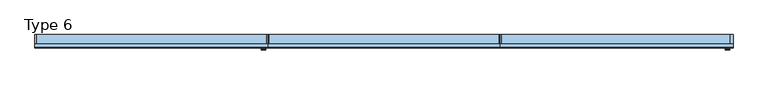
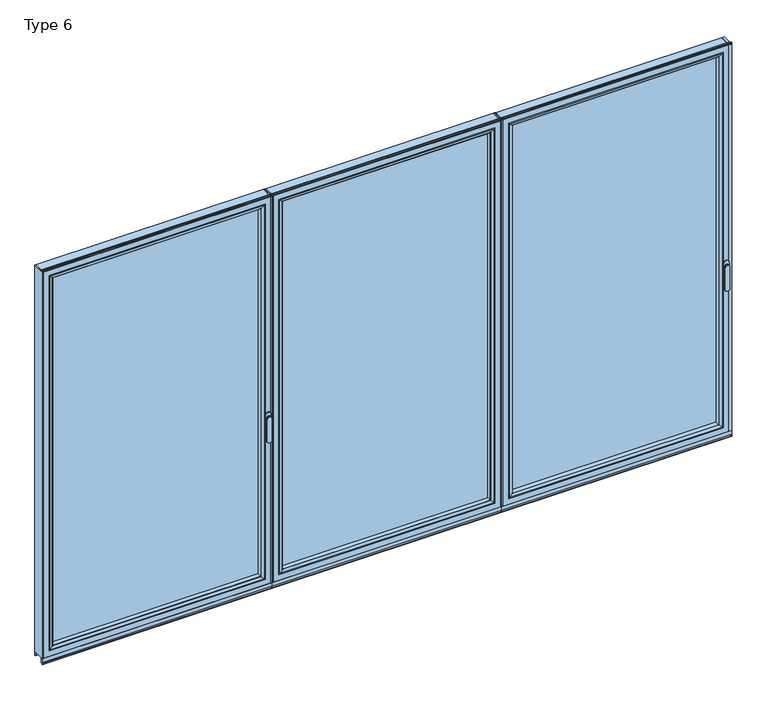
"""IFC4 building model written with IfcOpenShell, lengths in millimetres: window geometry, Type 6."""

from ifc_helpers import new_model, si_unit, point, frame, frame_2d, origin, place, context, project, spatial, polyline, circle_curve, ellipse_curve, trimmed, segment, composite_curve, outline, extrude, source, transform, mapped, element, save
from ifc_brep_helpers import plane_surface, cylinder_surface, extruded_surface, advanced_brep


def type_6_3e30fefc(model_context):
    return source(origin(), model_context, "Body", "SolidModel", [
        advanced_brep(
        [(-2579.8552975, -73.5, 1050.0), (-2555.8780359, -73.5, 1050.0), (-2555.8780359, -76.8965533, 1050.0), (-2579.8552975, -76.8965533, 1050.0), (-2579.8552975, -84.5, 1050.0), (-2579.8552975, -84.5, 918.6867153), (-2555.8780359, -84.5, 918.6867153), (-2555.8780359, -84.5, 1050.0), (-2555.8780359, -76.8965533, 918.6867153), (-2579.8552975, -76.8965533, 918.6867153)],
        [
            (0, 1, circle_curve(frame((-2567.8666667, -73.5, 1050.0), z_axis=(0.0, 1.0, 0.0), x_axis=(1.0, 0.0, 0.0)), 11.9886308)),
            (1, 0, circle_curve(frame((-2567.8666667, -73.5, 1050.0), z_axis=(0.0, 1.0, 0.0), x_axis=(1.0, 0.0, 0.0)), 11.9886308)),
            (1, 2),
            (2, 3, circle_curve(frame((-2567.8666667, -76.8965533, 1050.0), z_axis=(0.0, 1.0, 0.0), x_axis=(1.0, 0.0, 0.0)), 11.9886308)),
            (3, 0),
            (3, 2, circle_curve(frame((-2567.8666667, -76.8965533, 1050.0), z_axis=(0.0, 1.0, 0.0), x_axis=(1.0, 0.0, 0.0)), 11.9886308)),
            (4, 5),
            (5, 6, ellipse_curve(frame((-2567.8666667, -84.5, 918.6867153), z_axis=(0.0, -1.0, 0.0), x_axis=(-1.0, 0.0, 0.0)), 11.9886308, 7.9050795)),
            (6, 7),
            (7, 4, circle_curve(frame((-2567.8666667, -84.5, 1050.0), z_axis=(0.0, -1.0, 0.0), x_axis=(1.0, 0.0, 0.0)), 11.9886308)),
            (2, 8),
            (8, 9, ellipse_curve(frame((-2567.8666667, -76.8965533, 918.6867153), z_axis=(0.0, 1.0, 0.0), x_axis=(-1.0, 0.0, 0.0)), 11.9886308, 7.9050795)),
            (9, 3),
            (4, 3),
            (9, 5),
            (8, 6),
            (2, 7),
        ],
        [
            plane_surface(frame((-2555.8780359, -73.5, 1050.0), z_axis=(0.0, 1.0, 0.0), x_axis=(0.0, 0.0, -1.0))),
            cylinder_surface(frame((-2567.8666667, -73.5, 1050.0), z_axis=(0.0, -1.0, 0.0), x_axis=(1.0, 0.0, 0.0)), 11.9886308),
            plane_surface(frame((-2579.8552975, -84.5, 928.3382074), z_axis=(0.0, -1.0, 0.0), x_axis=(0.0, 0.0, -1.0))),
            plane_surface(frame((-2579.8552975, -76.8965533, 928.3382074), z_axis=(0.0, 1.0, 0.0), x_axis=(0.0, 0.0, 1.0))),
            plane_surface(frame((-2579.8552975, -84.5, 1050.0), z_axis=(-1.0, 0.0, 0.0), x_axis=(0.0, 1.0, 0.0))),
            extruded_surface(trimmed(ellipse_curve(frame((-2567.8666667, -69.2931066, 918.6867153), z_axis=(0.0, -1.0, 0.0), x_axis=(-1.0, 0.0, 0.0)), 11.9886308, 7.9050795), [point((-2579.8552975, -69.2931066, 918.6867153))], [point((-2555.8780359, -69.2931066, 918.6867153))], True, "CARTESIAN"), (0.0, -7.603446699999992, 0.0), 7.603446699999992),
            plane_surface(frame((-2555.8780359, -84.5, 918.6867153), z_axis=(1.0, 0.0, 0.0), x_axis=(0.0, 1.0, 0.0))),
            cylinder_surface(frame((-2567.8666667, -76.8965533, 1050.0), z_axis=(0.0, -1.0, 0.0), x_axis=(1.0, 0.0, 0.0)), 11.9886308),
        ],
        [
            (0, [[1, 2]]),
            (1, [[-2, 3, 4, 5]]),
            (1, [[-1, -5, 6, -3]]),
            (2, [[7, 8, 9, 10]]),
            (3, [[11, 12, 13, -4]]),
            (4, [[-7, 14, -13, 15]]),
            (5, [[-8, -15, -12, 16]]),
            (6, [[-9, -16, -11, 17]]),
            (7, [[-10, -17, -6, -14]]),
        ],
    ),
        extrude(outline(composite_curve([segment(polyline([(1068.75, -2581.8666667), (1031.25, -2581.8666667)]), True, "CONTINUOUS"), segment(trimmed(circle_curve(frame_2d((1031.25, -2567.8666667)), 14.0), [point((1031.25, -2581.8666667))], [point((1031.25, -2553.8666667))], False, "CARTESIAN"), True, "CONTINUOUS"), segment(polyline([(1031.25, -2553.8666667), (1068.75, -2553.8666667)]), True, "CONTINUOUS"), segment(trimmed(circle_curve(frame_2d((1068.75, -2567.8666667)), 14.0), [point((1068.75, -2553.8666667))], [point((1068.75, -2581.8666667))], False, "CARTESIAN"), True, "CONTINUOUS")], self_intersect=False)), frame((0.0, -73.5, 0.0), z_axis=(0.0, 1.0, 0.0), x_axis=(0.0, 0.0, 1.0)), (0.0, 0.0, 1.0), 3.5),
        extrude(outline(polyline([(-3818.8, 0.0), (-3812.8, 0.0), (-3812.8, -70.0), (-3818.8, -70.0), (-3818.8, 0.0)])), frame((0.0, 0.0, 75.0), z_axis=(0.0, 0.0, 1.0), x_axis=(1.0, 0.0, 0.0)), (0.0, 0.0, 1.0), 2262.0),
        extrude(outline(polyline([(-2545.8666667, 0.0), (-2545.8666667, -70.0), (-2551.8666667, -70.0), (-2551.8666667, 0.0), (-2545.8666667, 0.0)])), frame((0.0, 0.0, 75.0), z_axis=(0.0, 0.0, 1.0), x_axis=(1.0, 0.0, 0.0)), (0.0, 0.0, 1.0), 2262.0),
        extrude(outline(polyline([(-3780.8, -13.999939), (-2583.8666667, -13.999939), (-2583.8666667, -37.9928974), (-3780.8, -37.9928974), (-3780.8, -13.999939)])), frame((0.0, 0.0, 107.0), z_axis=(0.0, 0.0, 1.0), x_axis=(1.0, 0.0, 0.0)), (0.0, 0.0, 1.0), 2198.0),
        advanced_brep(
        [(-2605.8662394, -64.5552044, 2283.0004272), (-2605.8662394, -37.9928974, 2283.0004272), (-2605.8662394, -37.9928974, 128.9995728), (-2605.8662394, -64.5552044, 128.9995728), (-2583.8666667, -37.9928974, 2305.0), (-2583.8666667, -37.9928974, 107.0), (-3780.8, -37.9928974, 107.0), (-3780.8, -37.9928974, 2305.0), (-3758.8004272, -37.9928974, 2283.0004272), (-3758.8004272, -37.9928974, 128.9995728), (-3758.8004272, -64.5552044, 128.9995728), (-2605.156696, -65.8045072, 2283.7099707), (-2605.156696, -65.8045072, 128.2900293), (-3759.5099707, -65.8045072, 128.2900293), (-2589.8666056, -70.0, 2299.000061), (-2589.8666056, -70.0, 112.999939), (-3774.800061, -70.0, 112.999939), (-3780.8, -70.0, 2305.0), (-3780.8, -70.0, 107.0), (-2583.8666667, -70.0, 107.0), (-2583.8666667, -70.0, 2305.0), (-3774.800061, -70.0, 2299.000061), (-3758.8004272, -64.5552044, 2283.0004272), (-3759.5099707, -65.8045072, 2283.7099707)],
        [
            (0, 1),
            (1, 2),
            (2, 3),
            (3, 0),
            (4, 5),
            (5, 6),
            (6, 7),
            (7, 4),
            (8, 9),
            (9, 2),
            (1, 8),
            (9, 10),
            (10, 3),
            (11, 0, ellipse_curve(frame((-2604.4116355, -64.5552044, 2284.4550312), z_axis=(0.7071067811865475, 0.0, -0.7071067811865475), x_axis=(0.7071067811865474, 0.0, 0.7071067811865476)), 2.0571207, 1.454604)),
            (3, 12, ellipse_curve(frame((-2604.4116355, -64.5552044, 127.5449688), z_axis=(0.7071067811865475, 0.0, 0.7071067811865475), x_axis=(-0.7071067811865474, 0.0, 0.7071067811865476)), 2.0571207, 1.454604)),
            (12, 11),
            (10, 13, ellipse_curve(frame((-3760.2550312, -64.5552044, 127.5449688), z_axis=(0.7071067811865475, 0.0, -0.7071067811865475), x_axis=(0.7071067811865476, 0.0, 0.7071067811865474)), 2.0571207, 1.454604)),
            (13, 12),
            (14, 11, ellipse_curve(frame((-2589.9305412, -40.2735922, 2298.9361254), z_axis=(0.7071067811865475, 0.0, -0.7071067811865475), x_axis=(0.7071067811865474, 0.0, 0.7071067811865476)), 42.0395863, 29.7264765)),
            (12, 15, ellipse_curve(frame((-2589.9305412, -40.2735922, 113.0638746), z_axis=(0.7071067811865475, 0.0, 0.7071067811865475), x_axis=(-0.7071067811865474, 0.0, 0.7071067811865476)), 42.0395863, 29.7264765)),
            (15, 14),
            (13, 16, ellipse_curve(frame((-3774.7361254, -40.2735922, 113.0638746), z_axis=(0.7071067811865475, 0.0, -0.7071067811865475), x_axis=(0.7071067811865476, 0.0, 0.7071067811865474)), 42.0395863, 29.7264765)),
            (16, 15),
            (17, 18),
            (18, 19),
            (19, 20),
            (20, 17),
            (16, 21),
            (21, 14),
            (4, 20),
            (19, 5),
            (18, 6),
            (8, 22),
            (22, 10),
            (22, 23, ellipse_curve(frame((-3760.2550312, -64.5552044, 2284.4550312), z_axis=(-0.7071067811865475, 0.0, -0.7071067811865475), x_axis=(0.7071067811865474, 0.0, -0.7071067811865476)), 2.0571207, 1.454604)),
            (23, 13),
            (23, 21, ellipse_curve(frame((-3774.7361254, -40.2735922, 2298.9361254), z_axis=(-0.7071067811865475, 0.0, -0.7071067811865475), x_axis=(0.7071067811865474, 0.0, -0.7071067811865476)), 42.0395863, 29.7264765)),
            (17, 7),
            (0, 22),
            (11, 23),
        ],
        [
            plane_surface(frame((-2605.8662394, -37.9928974, 2283.0004272), z_axis=(-1.0, 0.0, 0.0), x_axis=(0.0, 0.0, -1.0))),
            plane_surface(frame((-3780.8, -37.9928974, 107.0), z_axis=(0.0, 1.0, 0.0), x_axis=(0.0, 0.0, 1.0))),
            plane_surface(frame((-2605.8662394, -37.9928974, 128.9995728), z_axis=(0.0, 0.0, 1.0), x_axis=(-1.0, 0.0, 0.0))),
            cylinder_surface(frame((-2604.4116355, -64.5552044, 2283.0004272), z_axis=(0.0, 0.0, 1.0), x_axis=(1.0, 0.0, 0.0)), 1.454604),
            cylinder_surface(frame((-2605.8662394, -64.5552044, 127.5449688), z_axis=(1.0, 0.0, 0.0), x_axis=(0.0, 0.0, -1.0)), 1.454604),
            cylinder_surface(frame((-2589.9305412, -40.2735922, 2283.0004272), z_axis=(0.0, 0.0, 1.0), x_axis=(1.0, 0.0, 0.0)), 29.7264765),
            cylinder_surface(frame((-2605.8662394, -40.2735922, 113.0638746), z_axis=(1.0, 0.0, 0.0), x_axis=(0.0, 0.0, -1.0)), 29.7264765),
            plane_surface(frame((-3774.800061, -70.0, 112.999939), z_axis=(0.0, -1.0, 0.0), x_axis=(0.0, 0.0, 1.0))),
            plane_surface(frame((-2583.8666667, -70.0, 2305.0), z_axis=(1.0, 0.0, 0.0), x_axis=(0.0, 0.0, -1.0))),
            plane_surface(frame((-2583.8666667, -70.0, 107.0), z_axis=(0.0, 0.0, -1.0), x_axis=(-1.0, 0.0, 0.0))),
            plane_surface(frame((-3758.8004272, -37.9928974, 128.9995728), z_axis=(1.0, 0.0, 0.0), x_axis=(0.0, 0.0, 1.0))),
            cylinder_surface(frame((-3760.2550312, -64.5552044, 128.9995728), z_axis=(0.0, 0.0, -1.0), x_axis=(-1.0, 0.0, 0.0)), 1.454604),
            cylinder_surface(frame((-3774.7361254, -40.2735922, 128.9995728), z_axis=(0.0, 0.0, -1.0), x_axis=(-1.0, 0.0, 0.0)), 29.7264765),
            plane_surface(frame((-3780.8, -70.0, 107.0), z_axis=(-1.0, 0.0, 0.0), x_axis=(0.0, 0.0, 1.0))),
            plane_surface(frame((-3758.8004272, -37.9928974, 2283.0004272), z_axis=(0.0, 0.0, -1.0), x_axis=(1.0, 0.0, 0.0))),
            cylinder_surface(frame((-3758.8004272, -64.5552044, 2284.4550312), z_axis=(-1.0, 0.0, 0.0), x_axis=(0.0, 0.0, 1.0)), 1.454604),
            cylinder_surface(frame((-3758.8004272, -40.2735922, 2298.9361254), z_axis=(-1.0, 0.0, 0.0), x_axis=(0.0, 0.0, 1.0)), 29.7264765),
            plane_surface(frame((-3780.8, -70.0, 2305.0), z_axis=(0.0, 0.0, 1.0), x_axis=(1.0, 0.0, 0.0))),
        ],
        [
            (0, [[1, 2, 3, 4]]),
            (1, [[5, 6, 7, 8], [9, 10, -2, 11]]),
            (2, [[-3, -10, 12, 13]]),
            (3, [[14, -4, 15, 16]]),
            (4, [[-15, -13, 17, 18]]),
            (5, [[19, -16, 20, 21]]),
            (6, [[-20, -18, 22, 23]]),
            (7, [[24, 25, 26, 27], [-21, -23, 28, 29]]),
            (8, [[30, -26, 31, -5]]),
            (9, [[-31, -25, 32, -6]]),
            (10, [[-12, -9, 33, 34]]),
            (11, [[-17, -34, 35, 36]]),
            (12, [[-22, -36, 37, -28]]),
            (13, [[-32, -24, 38, -7]]),
            (14, [[-33, -11, -1, 39]]),
            (15, [[-35, -39, -14, 40]]),
            (16, [[-37, -40, -19, -29]]),
            (17, [[-38, -27, -30, -8]]),
        ],
    ),
        advanced_brep(
        [(-3812.8, -70.0, 2337.0), (-3812.8, 0.0, 2337.0), (-3812.8, 0.0, 75.0), (-3812.8, -70.0, 75.0), (-2551.8666667, 0.0, 75.0), (-2551.8666667, -70.0, 75.0), (-2551.8666667, 0.0, 2337.0), (-2601.3658567, 0.0, 124.4991901), (-2601.3658567, 0.0, 2287.5008099), (-3763.3008099, 0.0, 2287.5008099), (-3763.3008099, 0.0, 124.4991901), (-2551.8666667, -70.0, 2337.0), (-3780.8, -70.0, 107.0), (-3780.8, -70.0, 2305.0), (-2583.8666667, -70.0, 2305.0), (-2583.8666667, -70.0, 107.0), (-3780.8, -13.999939, 2305.0), (-3780.8, -13.999939, 107.0), (-2583.8666667, -13.999939, 107.0), (-2583.8666667, -13.999939, 2305.0), (-3758.8004272, -13.999939, 128.9995728), (-3758.8004272, -13.999939, 2283.0004272), (-2605.8662394, -13.999939, 2283.0004272), (-2605.8662394, -13.999939, 128.9995728), (-3758.8004272, -4.5004435, 2283.0004272), (-3758.8004272, -4.5004435, 128.9995728), (-2605.8662394, -4.5004435, 128.9995728), (-2605.8662394, -4.5004435, 2283.0004272)],
        [
            (0, 1),
            (1, 2),
            (2, 3),
            (3, 0),
            (2, 4),
            (4, 5),
            (5, 3),
            (1, 6),
            (6, 4),
            (7, 8),
            (8, 9),
            (9, 10),
            (10, 7),
            (6, 11),
            (11, 5),
            (11, 0),
            (12, 13),
            (13, 14),
            (14, 15),
            (15, 12),
            (16, 13),
            (12, 17),
            (17, 16),
            (15, 18),
            (18, 17),
            (14, 19),
            (19, 18),
            (19, 16),
            (20, 21),
            (21, 22),
            (22, 23),
            (23, 20),
            (24, 21),
            (20, 25),
            (25, 24),
            (23, 26),
            (26, 25),
            (22, 27),
            (27, 26),
            (10, 25, ellipse_curve(frame((-3763.3008099, -4.5004435, 124.4991901), z_axis=(0.7071067811865475, 0.0, -0.7071067811865475), x_axis=(-0.7071067811865476, 0.0, -0.7071067811865474)), 6.3645023, 4.5003827)),
            (26, 7, ellipse_curve(frame((-2601.3658567, -4.5004435, 124.4991901), z_axis=(-0.7071067811865475, 0.0, -0.7071067811865475), x_axis=(-0.7071067811865476, 0.0, 0.7071067811865474)), 6.3645023, 4.5003827)),
            (9, 24, ellipse_curve(frame((-3763.3008099, -4.5004435, 2287.5008099), z_axis=(-0.7071067811865475, 0.0, -0.7071067811865475), x_axis=(-0.7071067811865474, 0.0, 0.7071067811865476)), 6.3645023, 4.5003827)),
            (27, 8, ellipse_curve(frame((-2601.3658567, -4.5004435, 2287.5008099), z_axis=(0.7071067811865475, 0.0, -0.7071067811865475), x_axis=(-0.7071067811865474, 0.0, -0.7071067811865476)), 6.3645023, 4.5003827)),
            (24, 27),
        ],
        [
            plane_surface(frame((-3812.8, 0.0, 2337.0), z_axis=(-1.0, 0.0, 0.0), x_axis=(0.0, 0.0, -1.0))),
            plane_surface(frame((-3812.8, 0.0, 75.0), z_axis=(0.0, 0.0, -1.0), x_axis=(1.0, 0.0, 0.0))),
            plane_surface(frame((-3763.3008099, 0.0, 2287.5008099), z_axis=(0.0, 1.0, 0.0), x_axis=(0.0, 0.0, -1.0))),
            plane_surface(frame((-2551.8666667, 0.0, 75.0), z_axis=(1.0, 0.0, 0.0), x_axis=(0.0, 0.0, 1.0))),
            plane_surface(frame((-3812.8, -70.0, 2337.0), z_axis=(0.0, -1.0, 0.0), x_axis=(0.0, 0.0, -1.0))),
            plane_surface(frame((-3780.8, -70.0, 2305.0), z_axis=(1.0, 0.0, 0.0), x_axis=(0.0, 0.0, -1.0))),
            plane_surface(frame((-3780.8, -70.0, 107.0), z_axis=(0.0, 0.0, 1.0), x_axis=(1.0, 0.0, 0.0))),
            plane_surface(frame((-2583.8666667, -70.0, 107.0), z_axis=(-1.0, 0.0, 0.0), x_axis=(0.0, 0.0, 1.0))),
            plane_surface(frame((-3780.8, -13.999939, 2305.0), z_axis=(0.0, -1.0, 0.0), x_axis=(0.0, 0.0, -1.0))),
            plane_surface(frame((-3758.8004272, -13.999939, 2283.0004272), z_axis=(1.0, 0.0, 0.0), x_axis=(0.0, 0.0, -1.0))),
            plane_surface(frame((-3758.8004272, -13.999939, 128.9995728), z_axis=(0.0, 0.0, 1.0), x_axis=(1.0, 0.0, 0.0))),
            plane_surface(frame((-2605.8662394, -13.999939, 128.9995728), z_axis=(-1.0, 0.0, 0.0), x_axis=(0.0, 0.0, 1.0))),
            cylinder_surface(frame((-3818.8, -4.5004435, 124.4991901), z_axis=(-1.0, 0.0, 0.0), x_axis=(0.0, -1.0, 0.0)), 4.5003827),
            cylinder_surface(frame((-3763.3008099, -4.5004435, 2343.0), z_axis=(0.0, 0.0, 1.0), x_axis=(0.0, -1.0, 0.0)), 4.5003827),
            cylinder_surface(frame((-2601.3658567, -4.5004435, 69.0), z_axis=(0.0, 0.0, -1.0), x_axis=(0.0, -1.0, 0.0)), 4.5003827),
            plane_surface(frame((-2551.8666667, 0.0, 2337.0), z_axis=(0.0, 0.0, 1.0), x_axis=(-1.0, 0.0, 0.0))),
            plane_surface(frame((-2583.8666667, -70.0, 2305.0), z_axis=(0.0, 0.0, -1.0), x_axis=(-1.0, 0.0, 0.0))),
            plane_surface(frame((-2605.8662394, -13.999939, 2283.0004272), z_axis=(0.0, 0.0, -1.0), x_axis=(-1.0, 0.0, 0.0))),
            cylinder_surface(frame((-2545.8666667, -4.5004435, 2287.5008099), z_axis=(1.0, 0.0, 0.0), x_axis=(0.0, -1.0, 0.0)), 4.5003827),
        ],
        [
            (0, [[1, 2, 3, 4]]),
            (1, [[-3, 5, 6, 7]]),
            (2, [[-2, 8, 9, -5], [10, 11, 12, 13]]),
            (3, [[-6, -9, 14, 15]]),
            (4, [[-15, 16, -4, -7], [17, 18, 19, 20]]),
            (5, [[21, -17, 22, 23]]),
            (6, [[-22, -20, 24, 25]]),
            (7, [[-24, -19, 26, 27]]),
            (8, [[-27, 28, -23, -25], [29, 30, 31, 32]]),
            (9, [[33, -29, 34, 35]]),
            (10, [[-34, -32, 36, 37]]),
            (11, [[-36, -31, 38, 39]]),
            (12, [[40, -37, 41, -13]]),
            (13, [[42, -35, -40, -12]]),
            (14, [[-41, -39, 43, -10]]),
            (15, [[-14, -8, -1, -16]]),
            (16, [[-26, -18, -21, -28]]),
            (17, [[-38, -30, -33, 44]]),
            (18, [[-43, -44, -42, -11]]),
        ],
    ),
        extrude(outline(polyline([(-3818.8, -7.6000076), (-3818.8, 0.0), (-2545.8666667, 0.0), (-2545.8666667, -7.6000076), (-3818.8, -7.6000076)])), frame((0.0, 0.0, 52.9995117), z_axis=(0.0, 0.0, 1.0), x_axis=(1.0, 0.0, 0.0)), (0.0, 0.0, 1.0), 22.0004883),
        extrude(outline(composite_curve([segment(polyline([(-70.0, 45.0), (-70.0, 41.2896854), (-70.8737, 41.2896854), (-71.8670103, 44.9870904)]), True, "CONTINUOUS"), segment(trimmed(circle_curve(frame_2d((-69.9354978, 45.5059925)), 2.0), [point((-71.8670103, 44.9870904))], [point((-71.8566157, 46.0621453))], False, "CARTESIAN"), True, "CONTINUOUS"), segment(polyline([(-71.8566157, 46.0621453), (-70.0, 52.4754501), (-70.0, 75.0), (-62.2757497, 75.0), (-62.2757497, 45.0), (-70.0, 45.0)]), True, "CONTINUOUS")], self_intersect=False)), frame((-3818.8, 0.0, 0.0), z_axis=(1.0, 0.0, 0.0), x_axis=(0.0, 1.0, 0.0)), (0.0, 0.0, 1.0), 1272.9333333),
        extrude(outline(composite_curve([segment(polyline([(-52.044326, 2339.1400778), (-52.044326, 2337.0), (-70.0, 2337.0), (-71.8735116, 2343.9547971)]), True, "CONTINUOUS"), segment(trimmed(circle_curve(frame_2d((-69.9423544, 2344.4750201)), 2.0), [point((-71.8735116, 2343.9547971))], [point((-71.8738669, 2344.9939222))], False, "CARTESIAN"), True, "CONTINUOUS"), segment(polyline([(-71.8738669, 2344.9939222), (-70.8937897, 2348.6420698), (-70.0, 2348.6420698), (-70.0, 2342.963961), (-68.6363596, 2339.1400778), (-52.044326, 2339.1400778)]), True, "CONTINUOUS")], self_intersect=False)), frame((-3818.8, 0.0, 0.0), z_axis=(1.0, 0.0, 0.0), x_axis=(0.0, 1.0, 0.0)), (0.0, 0.0, 1.0), 1272.9333333),
        advanced_brep(
        [(-42.2886308, -73.5, 1050.0), (-18.3113692, -73.5, 1050.0), (-18.3113692, -76.8965533, 1050.0), (-42.2886308, -76.8965533, 1050.0), (-42.2886308, -84.5, 1050.0), (-42.2886308, -84.5, 918.6867153), (-18.3113692, -84.5, 918.6867153), (-18.3113692, -84.5, 1050.0), (-18.3113692, -76.8965533, 918.6867153), (-42.2886308, -76.8965533, 918.6867153)],
        [
            (0, 1, circle_curve(frame((-30.3, -73.5, 1050.0), z_axis=(0.0, 1.0, 0.0), x_axis=(1.0, 0.0, 0.0)), 11.9886308)),
            (1, 0, circle_curve(frame((-30.3, -73.5, 1050.0), z_axis=(0.0, 1.0, 0.0), x_axis=(1.0, 0.0, 0.0)), 11.9886308)),
            (1, 2),
            (2, 3, circle_curve(frame((-30.3, -76.8965533, 1050.0), z_axis=(0.0, 1.0, 0.0), x_axis=(1.0, 0.0, 0.0)), 11.9886308)),
            (3, 0),
            (3, 2, circle_curve(frame((-30.3, -76.8965533, 1050.0), z_axis=(0.0, 1.0, 0.0), x_axis=(1.0, 0.0, 0.0)), 11.9886308)),
            (4, 5),
            (5, 6, ellipse_curve(frame((-30.3, -84.5, 918.6867153), z_axis=(0.0, -1.0, 0.0), x_axis=(-1.0, 0.0, 0.0)), 11.9886308, 7.9050795)),
            (6, 7),
            (7, 4, circle_curve(frame((-30.3, -84.5, 1050.0), z_axis=(0.0, -1.0, 0.0), x_axis=(1.0, 0.0, 0.0)), 11.9886308)),
            (2, 8),
            (8, 9, ellipse_curve(frame((-30.3, -76.8965533, 918.6867153), z_axis=(0.0, 1.0, 0.0), x_axis=(-1.0, 0.0, 0.0)), 11.9886308, 7.9050795)),
            (9, 3),
            (4, 3),
            (9, 5),
            (8, 6),
            (2, 7),
        ],
        [
            plane_surface(frame((-18.3113692, -73.5, 1050.0), z_axis=(0.0, 1.0, 0.0), x_axis=(0.0, 0.0, -1.0))),
            cylinder_surface(frame((-30.3, -73.5, 1050.0), z_axis=(0.0, -1.0, 0.0), x_axis=(1.0, 0.0, 0.0)), 11.9886308),
            plane_surface(frame((-42.2886308, -84.5, 928.3382074), z_axis=(0.0, -1.0, 0.0), x_axis=(0.0, 0.0, -1.0))),
            plane_surface(frame((-42.2886308, -76.8965533, 928.3382074), z_axis=(0.0, 1.0, 0.0), x_axis=(0.0, 0.0, 1.0))),
            plane_surface(frame((-42.2886308, -84.5, 1050.0), z_axis=(-1.0, 0.0, 0.0), x_axis=(0.0, 1.0, 0.0))),
            extruded_surface(trimmed(ellipse_curve(frame((-30.3, -69.2931066, 918.6867153), z_axis=(0.0, -1.0, 0.0), x_axis=(-1.0, 0.0, 0.0)), 11.9886308, 7.9050795), [point((-42.2886308, -69.2931066, 918.6867153))], [point((-18.3113692, -69.2931066, 918.6867153))], True, "CARTESIAN"), (0.0, -7.603446699999992, 0.0), 7.603446699999992),
            plane_surface(frame((-18.3113692, -84.5, 918.6867153), z_axis=(1.0, 0.0, 0.0), x_axis=(0.0, 1.0, 0.0))),
            cylinder_surface(frame((-30.3, -76.8965533, 1050.0), z_axis=(0.0, -1.0, 0.0), x_axis=(1.0, 0.0, 0.0)), 11.9886308),
        ],
        [
            (0, [[1, 2]]),
            (1, [[-2, 3, 4, 5]]),
            (1, [[-1, -5, 6, -3]]),
            (2, [[7, 8, 9, 10]]),
            (3, [[11, 12, 13, -4]]),
            (4, [[-7, 14, -13, 15]]),
            (5, [[-8, -15, -12, 16]]),
            (6, [[-9, -16, -11, 17]]),
            (7, [[-10, -17, -6, -14]]),
        ],
    ),
        extrude(outline(composite_curve([segment(polyline([(1068.75, -44.3), (1031.25, -44.3)]), True, "CONTINUOUS"), segment(trimmed(circle_curve(frame_2d((1031.25, -30.3)), 14.0), [point((1031.25, -44.3))], [point((1031.25, -16.3))], False, "CARTESIAN"), True, "CONTINUOUS"), segment(polyline([(1031.25, -16.3), (1068.75, -16.3)]), True, "CONTINUOUS"), segment(trimmed(circle_curve(frame_2d((1068.75, -30.3)), 14.0), [point((1068.75, -16.3))], [point((1068.75, -44.3))], False, "CARTESIAN"), True, "CONTINUOUS")], self_intersect=False)), frame((0.0, -73.5, 0.0), z_axis=(0.0, 1.0, 0.0), x_axis=(0.0, 0.0, 1.0)), (0.0, 0.0, 1.0), 3.5),
        extrude(outline(polyline([(-1272.9333333, 0.0), (-1266.9333333, 0.0), (-1266.9333333, -70.0), (-1272.9333333, -70.0), (-1272.9333333, 0.0)])), frame((0.0, 0.0, 75.0), z_axis=(0.0, 0.0, 1.0), x_axis=(1.0, 0.0, 0.0)), (0.0, 0.0, 1.0), 2262.0),
        extrude(outline(polyline([(0.0, 0.0), (0.0, -70.0), (-14.3, -70.0), (-14.3, 0.0), (0.0, 0.0)])), frame((0.0, 0.0, 75.0), z_axis=(0.0, 0.0, 1.0), x_axis=(1.0, 0.0, 0.0)), (0.0, 0.0, 1.0), 2262.0),
        extrude(outline(polyline([(-1234.9333333, -13.999939), (-46.3, -13.999939), (-46.3, -37.9928974), (-1234.9333333, -37.9928974), (-1234.9333333, -13.999939)])), frame((0.0, 0.0, 107.0), z_axis=(0.0, 0.0, 1.0), x_axis=(1.0, 0.0, 0.0)), (0.0, 0.0, 1.0), 2198.0),
        advanced_brep(
        [(-68.2995728, -64.5552044, 2283.0004272), (-68.2995728, -37.9928974, 2283.0004272), (-68.2995728, -37.9928974, 128.9995728), (-68.2995728, -64.5552044, 128.9995728), (-46.3, -37.9928974, 2305.0), (-46.3, -37.9928974, 107.0), (-1234.9333333, -37.9928974, 107.0), (-1234.9333333, -37.9928974, 2305.0), (-1212.9337606, -37.9928974, 2283.0004272), (-1212.9337606, -37.9928974, 128.9995728), (-1212.9337606, -64.5552044, 128.9995728), (-67.5900293, -65.8045072, 2283.7099707), (-67.5900293, -65.8045072, 128.2900293), (-1213.643304, -65.8045072, 128.2900293), (-52.299939, -70.0, 2299.000061), (-52.299939, -70.0, 112.999939), (-1228.9333944, -70.0, 112.999939), (-1234.9333333, -70.0, 2305.0), (-1234.9333333, -70.0, 107.0), (-46.3, -70.0, 107.0), (-46.3, -70.0, 2305.0), (-1228.9333944, -70.0, 2299.000061), (-1212.9337606, -64.5552044, 2283.0004272), (-1213.643304, -65.8045072, 2283.7099707)],
        [
            (0, 1),
            (1, 2),
            (2, 3),
            (3, 0),
            (4, 5),
            (5, 6),
            (6, 7),
            (7, 4),
            (8, 9),
            (9, 2),
            (1, 8),
            (9, 10),
            (10, 3),
            (11, 0, ellipse_curve(frame((-66.8449688, -64.5552044, 2284.4550312), z_axis=(0.7071067811865475, 0.0, -0.7071067811865475), x_axis=(0.7071067811865474, 0.0, 0.7071067811865476)), 2.0571207, 1.454604)),
            (3, 12, ellipse_curve(frame((-66.8449688, -64.5552044, 127.5449688), z_axis=(0.7071067811865475, 0.0, 0.7071067811865475), x_axis=(-0.7071067811865474, 0.0, 0.7071067811865476)), 2.0571207, 1.454604)),
            (12, 11),
            (10, 13, ellipse_curve(frame((-1214.3883645, -64.5552044, 127.5449688), z_axis=(0.7071067811865475, 0.0, -0.7071067811865475), x_axis=(0.7071067811865476, 0.0, 0.7071067811865474)), 2.0571207, 1.454604)),
            (13, 12),
            (14, 11, ellipse_curve(frame((-52.3638746, -40.2735922, 2298.9361254), z_axis=(0.7071067811865475, 0.0, -0.7071067811865475), x_axis=(0.7071067811865474, 0.0, 0.7071067811865476)), 42.0395863, 29.7264765)),
            (12, 15, ellipse_curve(frame((-52.3638746, -40.2735922, 113.0638746), z_axis=(0.7071067811865475, 0.0, 0.7071067811865475), x_axis=(-0.7071067811865474, 0.0, 0.7071067811865476)), 42.0395863, 29.7264765)),
            (15, 14),
            (13, 16, ellipse_curve(frame((-1228.8694588, -40.2735922, 113.0638746), z_axis=(0.7071067811865475, 0.0, -0.7071067811865475), x_axis=(0.7071067811865476, 0.0, 0.7071067811865474)), 42.0395863, 29.7264765)),
            (16, 15),
            (17, 18),
            (18, 19),
            (19, 20),
            (20, 17),
            (16, 21),
            (21, 14),
            (4, 20),
            (19, 5),
            (18, 6),
            (8, 22),
            (22, 10),
            (22, 23, ellipse_curve(frame((-1214.3883645, -64.5552044, 2284.4550312), z_axis=(-0.7071067811865475, 0.0, -0.7071067811865475), x_axis=(0.7071067811865474, 0.0, -0.7071067811865476)), 2.0571207, 1.454604)),
            (23, 13),
            (23, 21, ellipse_curve(frame((-1228.8694588, -40.2735922, 2298.9361254), z_axis=(-0.7071067811865475, 0.0, -0.7071067811865475), x_axis=(0.7071067811865474, 0.0, -0.7071067811865476)), 42.0395863, 29.7264765)),
            (17, 7),
            (0, 22),
            (11, 23),
        ],
        [
            plane_surface(frame((-68.2995728, -37.9928974, 2283.0004272), z_axis=(-1.0, 0.0, 0.0), x_axis=(0.0, 0.0, -1.0))),
            plane_surface(frame((-1234.9333333, -37.9928974, 107.0), z_axis=(0.0, 1.0, 0.0), x_axis=(0.0, 0.0, 1.0))),
            plane_surface(frame((-68.2995728, -37.9928974, 128.9995728), z_axis=(0.0, 0.0, 1.0), x_axis=(-1.0, 0.0, 0.0))),
            cylinder_surface(frame((-66.8449688, -64.5552044, 2283.0004272), z_axis=(0.0, 0.0, 1.0), x_axis=(1.0, 0.0, 0.0)), 1.454604),
            cylinder_surface(frame((-68.2995728, -64.5552044, 127.5449688), z_axis=(1.0, 0.0, 0.0), x_axis=(0.0, 0.0, -1.0)), 1.454604),
            cylinder_surface(frame((-52.3638746, -40.2735922, 2283.0004272), z_axis=(0.0, 0.0, 1.0), x_axis=(1.0, 0.0, 0.0)), 29.7264765),
            cylinder_surface(frame((-68.2995728, -40.2735922, 113.0638746), z_axis=(1.0, 0.0, 0.0), x_axis=(0.0, 0.0, -1.0)), 29.7264765),
            plane_surface(frame((-1228.9333944, -70.0, 112.999939), z_axis=(0.0, -1.0, 0.0), x_axis=(0.0, 0.0, 1.0))),
            plane_surface(frame((-46.3, -70.0, 2305.0), z_axis=(1.0, 0.0, 0.0), x_axis=(0.0, 0.0, -1.0))),
            plane_surface(frame((-46.3, -70.0, 107.0), z_axis=(0.0, 0.0, -1.0), x_axis=(-1.0, 0.0, 0.0))),
            plane_surface(frame((-1212.9337606, -37.9928974, 128.9995728), z_axis=(1.0, 0.0, 0.0), x_axis=(0.0, 0.0, 1.0))),
            cylinder_surface(frame((-1214.3883645, -64.5552044, 128.9995728), z_axis=(0.0, 0.0, -1.0), x_axis=(-1.0, 0.0, 0.0)), 1.454604),
            cylinder_surface(frame((-1228.8694588, -40.2735922, 128.9995728), z_axis=(0.0, 0.0, -1.0), x_axis=(-1.0, 0.0, 0.0)), 29.7264765),
            plane_surface(frame((-1234.9333333, -70.0, 107.0), z_axis=(-1.0, 0.0, 0.0), x_axis=(0.0, 0.0, 1.0))),
            plane_surface(frame((-1212.9337606, -37.9928974, 2283.0004272), z_axis=(0.0, 0.0, -1.0), x_axis=(1.0, 0.0, 0.0))),
            cylinder_surface(frame((-1212.9337606, -64.5552044, 2284.4550312), z_axis=(-1.0, 0.0, 0.0), x_axis=(0.0, 0.0, 1.0)), 1.454604),
            cylinder_surface(frame((-1212.9337606, -40.2735922, 2298.9361254), z_axis=(-1.0, 0.0, 0.0), x_axis=(0.0, 0.0, 1.0)), 29.7264765),
            plane_surface(frame((-1234.9333333, -70.0, 2305.0), z_axis=(0.0, 0.0, 1.0), x_axis=(1.0, 0.0, 0.0))),
        ],
        [
            (0, [[1, 2, 3, 4]]),
            (1, [[5, 6, 7, 8], [9, 10, -2, 11]]),
            (2, [[-3, -10, 12, 13]]),
            (3, [[14, -4, 15, 16]]),
            (4, [[-15, -13, 17, 18]]),
            (5, [[19, -16, 20, 21]]),
            (6, [[-20, -18, 22, 23]]),
            (7, [[24, 25, 26, 27], [-21, -23, 28, 29]]),
            (8, [[30, -26, 31, -5]]),
            (9, [[-31, -25, 32, -6]]),
            (10, [[-12, -9, 33, 34]]),
            (11, [[-17, -34, 35, 36]]),
            (12, [[-22, -36, 37, -28]]),
            (13, [[-32, -24, 38, -7]]),
            (14, [[-33, -11, -1, 39]]),
            (15, [[-35, -39, -14, 40]]),
            (16, [[-37, -40, -19, -29]]),
            (17, [[-38, -27, -30, -8]]),
        ],
    ),
        advanced_brep(
        [(-1266.9333333, -70.0, 2337.0), (-1266.9333333, 0.0, 2337.0), (-1266.9333333, 0.0, 75.0), (-1266.9333333, -70.0, 75.0), (-14.3, 0.0, 75.0), (-14.3, -70.0, 75.0), (-14.3, 0.0, 2337.0), (-63.7991901, 0.0, 124.4991901), (-63.7991901, 0.0, 2287.5008099), (-1217.4341433, 0.0, 2287.5008099), (-1217.4341433, 0.0, 124.4991901), (-14.3, -70.0, 2337.0), (-1234.9333333, -70.0, 107.0), (-1234.9333333, -70.0, 2305.0), (-46.3, -70.0, 2305.0), (-46.3, -70.0, 107.0), (-1234.9333333, -13.999939, 2305.0), (-1234.9333333, -13.999939, 107.0), (-46.3, -13.999939, 107.0), (-46.3, -13.999939, 2305.0), (-1212.9337606, -13.999939, 128.9995728), (-1212.9337606, -13.999939, 2283.0004272), (-68.2995728, -13.999939, 2283.0004272), (-68.2995728, -13.999939, 128.9995728), (-1212.9337606, -4.5004435, 2283.0004272), (-1212.9337606, -4.5004435, 128.9995728), (-68.2995728, -4.5004435, 128.9995728), (-68.2995728, -4.5004435, 2283.0004272)],
        [
            (0, 1),
            (1, 2),
            (2, 3),
            (3, 0),
            (2, 4),
            (4, 5),
            (5, 3),
            (1, 6),
            (6, 4),
            (7, 8),
            (8, 9),
            (9, 10),
            (10, 7),
            (6, 11),
            (11, 5),
            (11, 0),
            (12, 13),
            (13, 14),
            (14, 15),
            (15, 12),
            (16, 13),
            (12, 17),
            (17, 16),
            (15, 18),
            (18, 17),
            (14, 19),
            (19, 18),
            (19, 16),
            (20, 21),
            (21, 22),
            (22, 23),
            (23, 20),
            (24, 21),
            (20, 25),
            (25, 24),
            (23, 26),
            (26, 25),
            (22, 27),
            (27, 26),
            (10, 25, ellipse_curve(frame((-1217.4341433, -4.5004435, 124.4991901), z_axis=(0.7071067811865475, 0.0, -0.7071067811865475), x_axis=(-0.7071067811865476, 0.0, -0.7071067811865474)), 6.3645023, 4.5003827)),
            (26, 7, ellipse_curve(frame((-63.7991901, -4.5004435, 124.4991901), z_axis=(-0.7071067811865475, 0.0, -0.7071067811865475), x_axis=(-0.7071067811865476, 0.0, 0.7071067811865474)), 6.3645023, 4.5003827)),
            (9, 24, ellipse_curve(frame((-1217.4341433, -4.5004435, 2287.5008099), z_axis=(-0.7071067811865475, 0.0, -0.7071067811865475), x_axis=(-0.7071067811865474, 0.0, 0.7071067811865476)), 6.3645023, 4.5003827)),
            (27, 8, ellipse_curve(frame((-63.7991901, -4.5004435, 2287.5008099), z_axis=(0.7071067811865475, 0.0, -0.7071067811865475), x_axis=(-0.7071067811865474, 0.0, -0.7071067811865476)), 6.3645023, 4.5003827)),
            (24, 27),
        ],
        [
            plane_surface(frame((-1266.9333333, 0.0, 2337.0), z_axis=(-1.0, 0.0, 0.0), x_axis=(0.0, 0.0, -1.0))),
            plane_surface(frame((-1266.9333333, 0.0, 75.0), z_axis=(0.0, 0.0, -1.0), x_axis=(1.0, 0.0, 0.0))),
            plane_surface(frame((-1217.4341433, 0.0, 2287.5008099), z_axis=(0.0, 1.0, 0.0), x_axis=(0.0, 0.0, -1.0))),
            plane_surface(frame((-14.3, 0.0, 75.0), z_axis=(1.0, 0.0, 0.0), x_axis=(0.0, 0.0, 1.0))),
            plane_surface(frame((-1266.9333333, -70.0, 2337.0), z_axis=(0.0, -1.0, 0.0), x_axis=(0.0, 0.0, -1.0))),
            plane_surface(frame((-1234.9333333, -70.0, 2305.0), z_axis=(1.0, 0.0, 0.0), x_axis=(0.0, 0.0, -1.0))),
            plane_surface(frame((-1234.9333333, -70.0, 107.0), z_axis=(0.0, 0.0, 1.0), x_axis=(1.0, 0.0, 0.0))),
            plane_surface(frame((-46.3, -70.0, 107.0), z_axis=(-1.0, 0.0, 0.0), x_axis=(0.0, 0.0, 1.0))),
            plane_surface(frame((-1234.9333333, -13.999939, 2305.0), z_axis=(0.0, -1.0, 0.0), x_axis=(0.0, 0.0, -1.0))),
            plane_surface(frame((-1212.9337606, -13.999939, 2283.0004272), z_axis=(1.0, 0.0, 0.0), x_axis=(0.0, 0.0, -1.0))),
            plane_surface(frame((-1212.9337606, -13.999939, 128.9995728), z_axis=(0.0, 0.0, 1.0), x_axis=(1.0, 0.0, 0.0))),
            plane_surface(frame((-68.2995728, -13.999939, 128.9995728), z_axis=(-1.0, 0.0, 0.0), x_axis=(0.0, 0.0, 1.0))),
            cylinder_surface(frame((-1272.9333333, -4.5004435, 124.4991901), z_axis=(-1.0, 0.0, 0.0), x_axis=(0.0, -1.0, 0.0)), 4.5003827),
            cylinder_surface(frame((-1217.4341433, -4.5004435, 2343.0), z_axis=(0.0, 0.0, 1.0), x_axis=(0.0, -1.0, 0.0)), 4.5003827),
            cylinder_surface(frame((-63.7991901, -4.5004435, 69.0), z_axis=(0.0, 0.0, -1.0), x_axis=(0.0, -1.0, 0.0)), 4.5003827),
            plane_surface(frame((-14.3, 0.0, 2337.0), z_axis=(0.0, 0.0, 1.0), x_axis=(-1.0, 0.0, 0.0))),
            plane_surface(frame((-46.3, -70.0, 2305.0), z_axis=(0.0, 0.0, -1.0), x_axis=(-1.0, 0.0, 0.0))),
            plane_surface(frame((-68.2995728, -13.999939, 2283.0004272), z_axis=(0.0, 0.0, -1.0), x_axis=(-1.0, 0.0, 0.0))),
            cylinder_surface(frame((-8.3, -4.5004435, 2287.5008099), z_axis=(1.0, 0.0, 0.0), x_axis=(0.0, -1.0, 0.0)), 4.5003827),
        ],
        [
            (0, [[1, 2, 3, 4]]),
            (1, [[-3, 5, 6, 7]]),
            (2, [[-2, 8, 9, -5], [10, 11, 12, 13]]),
            (3, [[-6, -9, 14, 15]]),
            (4, [[-15, 16, -4, -7], [17, 18, 19, 20]]),
            (5, [[21, -17, 22, 23]]),
            (6, [[-22, -20, 24, 25]]),
            (7, [[-24, -19, 26, 27]]),
            (8, [[-27, 28, -23, -25], [29, 30, 31, 32]]),
            (9, [[33, -29, 34, 35]]),
            (10, [[-34, -32, 36, 37]]),
            (11, [[-36, -31, 38, 39]]),
            (12, [[40, -37, 41, -13]]),
            (13, [[42, -35, -40, -12]]),
            (14, [[-41, -39, 43, -10]]),
            (15, [[-14, -8, -1, -16]]),
            (16, [[-26, -18, -21, -28]]),
            (17, [[-38, -30, -33, 44]]),
            (18, [[-43, -44, -42, -11]]),
        ],
    ),
        extrude(outline(polyline([(-1272.9333333, -7.6000076), (-1272.9333333, 0.0), (0.0, 0.0), (0.0, -7.6000076), (-1272.9333333, -7.6000076)])), frame((0.0, 0.0, 52.9995117), z_axis=(0.0, 0.0, 1.0), x_axis=(1.0, 0.0, 0.0)), (0.0, 0.0, 1.0), 22.0004883),
        extrude(outline(composite_curve([segment(polyline([(-70.0, 45.0), (-70.0, 41.2896854), (-70.8737, 41.2896854), (-71.8670103, 44.9870904)]), True, "CONTINUOUS"), segment(trimmed(circle_curve(frame_2d((-69.9354978, 45.5059925)), 2.0), [point((-71.8670103, 44.9870904))], [point((-71.8566157, 46.0621453))], False, "CARTESIAN"), True, "CONTINUOUS"), segment(polyline([(-71.8566157, 46.0621453), (-70.0, 52.4754501), (-70.0, 75.0), (-62.2757497, 75.0), (-62.2757497, 45.0), (-70.0, 45.0)]), True, "CONTINUOUS")], self_intersect=False)), frame((-1272.9333333, 0.0, 0.0), z_axis=(1.0, 0.0, 0.0), x_axis=(0.0, 1.0, 0.0)), (0.0, 0.0, 1.0), 1272.9333333),
        extrude(outline(composite_curve([segment(polyline([(-52.044326, 2339.1400778), (-52.044326, 2337.0), (-70.0, 2337.0), (-71.8735116, 2343.9547971)]), True, "CONTINUOUS"), segment(trimmed(circle_curve(frame_2d((-69.9423544, 2344.4750201)), 2.0), [point((-71.8735116, 2343.9547971))], [point((-71.8738669, 2344.9939222))], False, "CARTESIAN"), True, "CONTINUOUS"), segment(polyline([(-71.8738669, 2344.9939222), (-70.8937897, 2348.6420698), (-70.0, 2348.6420698), (-70.0, 2342.963961), (-68.6363596, 2339.1400778), (-52.044326, 2339.1400778)]), True, "CONTINUOUS")], self_intersect=False)), frame((-1272.9333333, 0.0, 0.0), z_axis=(1.0, 0.0, 0.0), x_axis=(0.0, 1.0, 0.0)), (0.0, 0.0, 1.0), 1272.9333333),
        extrude(outline(polyline([(-1272.9333333, 0.0), (-1272.9333333, -70.0), (-1278.9333333, -70.0), (-1278.9333333, 0.0), (-1272.9333333, 0.0)])), frame((0.0, 0.0, 75.0), z_axis=(0.0, 0.0, 1.0), x_axis=(1.0, 0.0, 0.0)), (0.0, 0.0, 1.0), 2262.0),
        extrude(outline(polyline([(-2545.8666667, 0.0), (-2539.8666667, 0.0), (-2539.8666667, -70.0), (-2545.8666667, -70.0), (-2545.8666667, 0.0)])), frame((0.0, 0.0, 75.0), z_axis=(0.0, 0.0, 1.0), x_axis=(1.0, 0.0, 0.0)), (0.0, 0.0, 1.0), 2262.0),
        extrude(outline(polyline([(-1310.9333333, -13.999939), (-1310.9333333, -37.9928974), (-2507.8666667, -37.9928974), (-2507.8666667, -13.999939), (-1310.9333333, -13.999939)])), frame((0.0, 0.0, 107.0), z_axis=(0.0, 0.0, 1.0), x_axis=(1.0, 0.0, 0.0)), (0.0, 0.0, 1.0), 2198.0),
        advanced_brep(
        [(-2485.8670939, -64.5552044, 2283.0004272), (-2485.8670939, -64.5552044, 128.9995728), (-2485.8670939, -37.9928974, 128.9995728), (-2485.8670939, -37.9928974, 2283.0004272), (-2507.8666667, -37.9928974, 2305.0), (-1310.9333333, -37.9928974, 2305.0), (-1310.9333333, -37.9928974, 107.0), (-2507.8666667, -37.9928974, 107.0), (-1332.9329061, -37.9928974, 2283.0004272), (-1332.9329061, -37.9928974, 128.9995728), (-1332.9329061, -64.5552044, 128.9995728), (-2486.5766373, -65.8045072, 2283.7099707), (-2486.5766373, -65.8045072, 128.2900293), (-1332.2233627, -65.8045072, 128.2900293), (-2501.8667277, -70.0, 2299.000061), (-2501.8667277, -70.0, 112.999939), (-1316.9332723, -70.0, 112.999939), (-1310.9333333, -70.0, 2305.0), (-2507.8666667, -70.0, 2305.0), (-2507.8666667, -70.0, 107.0), (-1310.9333333, -70.0, 107.0), (-1316.9332723, -70.0, 2299.000061), (-1332.9329061, -64.5552044, 2283.0004272), (-1332.2233627, -65.8045072, 2283.7099707)],
        [
            (0, 1),
            (1, 2),
            (2, 3),
            (3, 0),
            (4, 5),
            (5, 6),
            (6, 7),
            (7, 4),
            (8, 3),
            (2, 9),
            (9, 8),
            (1, 10),
            (10, 9),
            (11, 12),
            (12, 1, ellipse_curve(frame((-2487.3216979, -64.5552044, 127.5449688), z_axis=(-0.7071067811865475, 0.0, 0.7071067811865475), x_axis=(0.7071067811865474, 0.0, 0.7071067811865476)), 2.0571207, 1.454604)),
            (0, 11, ellipse_curve(frame((-2487.3216979, -64.5552044, 2284.4550312), z_axis=(-0.7071067811865475, 0.0, -0.7071067811865475), x_axis=(-0.7071067811865474, 0.0, 0.7071067811865476)), 2.0571207, 1.454604)),
            (12, 13),
            (13, 10, ellipse_curve(frame((-1331.4783021, -64.5552044, 127.5449688), z_axis=(-0.7071067811865475, 0.0, -0.7071067811865475), x_axis=(-0.7071067811865476, 0.0, 0.7071067811865474)), 2.0571207, 1.454604)),
            (14, 15),
            (15, 12, ellipse_curve(frame((-2501.8027921, -40.2735922, 113.0638746), z_axis=(-0.7071067811865475, 0.0, 0.7071067811865475), x_axis=(0.7071067811865474, 0.0, 0.7071067811865476)), 42.0395863, 29.7264765)),
            (11, 14, ellipse_curve(frame((-2501.8027921, -40.2735922, 2298.9361254), z_axis=(-0.7071067811865475, 0.0, -0.7071067811865475), x_axis=(-0.7071067811865474, 0.0, 0.7071067811865476)), 42.0395863, 29.7264765)),
            (15, 16),
            (16, 13, ellipse_curve(frame((-1316.9972079, -40.2735922, 113.0638746), z_axis=(-0.7071067811865475, 0.0, -0.7071067811865475), x_axis=(-0.7071067811865476, 0.0, 0.7071067811865474)), 42.0395863, 29.7264765)),
            (17, 18),
            (18, 19),
            (19, 20),
            (20, 17),
            (14, 21),
            (21, 16),
            (7, 19),
            (18, 4),
            (6, 20),
            (10, 22),
            (22, 8),
            (13, 23),
            (23, 22, ellipse_curve(frame((-1331.4783021, -64.5552044, 2284.4550312), z_axis=(0.7071067811865475, 0.0, -0.7071067811865475), x_axis=(-0.7071067811865474, 0.0, -0.7071067811865476)), 2.0571207, 1.454604)),
            (21, 23, ellipse_curve(frame((-1316.9972079, -40.2735922, 2298.9361254), z_axis=(0.7071067811865475, 0.0, -0.7071067811865475), x_axis=(-0.7071067811865474, 0.0, -0.7071067811865476)), 42.0395863, 29.7264765)),
            (5, 17),
            (22, 0),
            (23, 11),
        ],
        [
            plane_surface(frame((-2485.8670939, -37.9928974, 2283.0004272), z_axis=(1.0, 0.0, 0.0), x_axis=(0.0, 0.0, -1.0))),
            plane_surface(frame((-1310.9333333, -37.9928974, 107.0), z_axis=(0.0, 1.0, 0.0), x_axis=(0.0, 0.0, 1.0))),
            plane_surface(frame((-2485.8670939, -37.9928974, 128.9995728), z_axis=(0.0, 0.0, 1.0), x_axis=(1.0, 0.0, 0.0))),
            cylinder_surface(frame((-2487.3216979, -64.5552044, 2283.0004272), z_axis=(0.0, 0.0, 1.0), x_axis=(-1.0, 0.0, 0.0)), 1.454604),
            cylinder_surface(frame((-2485.8670939, -64.5552044, 127.5449688), z_axis=(-1.0, 0.0, 0.0), x_axis=(0.0, 0.0, -1.0)), 1.454604),
            cylinder_surface(frame((-2501.8027921, -40.2735922, 2283.0004272), z_axis=(0.0, 0.0, 1.0), x_axis=(-1.0, 0.0, 0.0)), 29.7264765),
            cylinder_surface(frame((-2485.8670939, -40.2735922, 113.0638746), z_axis=(-1.0, 0.0, 0.0), x_axis=(0.0, 0.0, -1.0)), 29.7264765),
            plane_surface(frame((-1316.9332723, -70.0, 112.999939), z_axis=(0.0, -1.0, 0.0), x_axis=(0.0, 0.0, 1.0))),
            plane_surface(frame((-2507.8666667, -70.0, 2305.0), z_axis=(-1.0, 0.0, 0.0), x_axis=(0.0, 0.0, -1.0))),
            plane_surface(frame((-2507.8666667, -70.0, 107.0), z_axis=(0.0, 0.0, -1.0), x_axis=(1.0, 0.0, 0.0))),
            plane_surface(frame((-1332.9329061, -37.9928974, 128.9995728), z_axis=(-1.0, 0.0, 0.0), x_axis=(0.0, 0.0, 1.0))),
            cylinder_surface(frame((-1331.4783021, -64.5552044, 128.9995728), z_axis=(0.0, 0.0, -1.0), x_axis=(1.0, 0.0, 0.0)), 1.454604),
            cylinder_surface(frame((-1316.9972079, -40.2735922, 128.9995728), z_axis=(0.0, 0.0, -1.0), x_axis=(1.0, 0.0, 0.0)), 29.7264765),
            plane_surface(frame((-1310.9333333, -70.0, 107.0), z_axis=(1.0, 0.0, 0.0), x_axis=(0.0, 0.0, 1.0))),
            plane_surface(frame((-1332.9329061, -37.9928974, 2283.0004272), z_axis=(0.0, 0.0, -1.0), x_axis=(-1.0, 0.0, 0.0))),
            cylinder_surface(frame((-1332.9329061, -64.5552044, 2284.4550312), z_axis=(1.0, 0.0, 0.0), x_axis=(0.0, 0.0, 1.0)), 1.454604),
            cylinder_surface(frame((-1332.9329061, -40.2735922, 2298.9361254), z_axis=(1.0, 0.0, 0.0), x_axis=(0.0, 0.0, 1.0)), 29.7264765),
            plane_surface(frame((-1310.9333333, -70.0, 2305.0), z_axis=(0.0, 0.0, 1.0), x_axis=(-1.0, 0.0, 0.0))),
        ],
        [
            (0, [[1, 2, 3, 4]]),
            (1, [[5, 6, 7, 8], [9, -3, 10, 11]]),
            (2, [[12, 13, -10, -2]]),
            (3, [[14, 15, -1, 16]]),
            (4, [[17, 18, -12, -15]]),
            (5, [[19, 20, -14, 21]]),
            (6, [[22, 23, -17, -20]]),
            (7, [[24, 25, 26, 27], [28, 29, -22, -19]]),
            (8, [[-8, 30, -25, 31]]),
            (9, [[-7, 32, -26, -30]]),
            (10, [[33, 34, -11, -13]]),
            (11, [[35, 36, -33, -18]]),
            (12, [[-29, 37, -35, -23]]),
            (13, [[-6, 38, -27, -32]]),
            (14, [[39, -4, -9, -34]]),
            (15, [[40, -16, -39, -36]]),
            (16, [[-28, -21, -40, -37]]),
            (17, [[-5, -31, -24, -38]]),
        ],
    ),
        advanced_brep(
        [(-1278.9333333, -70.0, 2337.0), (-1278.9333333, -70.0, 75.0), (-1278.9333333, 0.0, 75.0), (-1278.9333333, 0.0, 2337.0), (-2539.8666667, -70.0, 75.0), (-2539.8666667, 0.0, 75.0), (-2539.8666667, 0.0, 2337.0), (-2490.3674766, 0.0, 124.4991901), (-1328.4325234, 0.0, 124.4991901), (-1328.4325234, 0.0, 2287.5008099), (-2490.3674766, 0.0, 2287.5008099), (-2539.8666667, -70.0, 2337.0), (-1310.9333333, -70.0, 107.0), (-2507.8666667, -70.0, 107.0), (-2507.8666667, -70.0, 2305.0), (-1310.9333333, -70.0, 2305.0), (-1310.9333333, -13.999939, 2305.0), (-1310.9333333, -13.999939, 107.0), (-2507.8666667, -13.999939, 107.0), (-2507.8666667, -13.999939, 2305.0), (-1332.9329061, -13.999939, 128.9995728), (-2485.8670939, -13.999939, 128.9995728), (-2485.8670939, -13.999939, 2283.0004272), (-1332.9329061, -13.999939, 2283.0004272), (-1332.9329061, -4.5004435, 2283.0004272), (-1332.9329061, -4.5004435, 128.9995728), (-2485.8670939, -4.5004435, 128.9995728), (-2485.8670939, -4.5004435, 2283.0004272)],
        [
            (0, 1),
            (1, 2),
            (2, 3),
            (3, 0),
            (1, 4),
            (4, 5),
            (5, 2),
            (5, 6),
            (6, 3),
            (7, 8),
            (8, 9),
            (9, 10),
            (10, 7),
            (4, 11),
            (11, 6),
            (0, 11),
            (12, 13),
            (13, 14),
            (14, 15),
            (15, 12),
            (16, 17),
            (17, 12),
            (15, 16),
            (17, 18),
            (18, 13),
            (18, 19),
            (19, 14),
            (16, 19),
            (20, 21),
            (21, 22),
            (22, 23),
            (23, 20),
            (24, 25),
            (25, 20),
            (23, 24),
            (25, 26),
            (26, 21),
            (26, 27),
            (27, 22),
            (7, 26, ellipse_curve(frame((-2490.3674766, -4.5004435, 124.4991901), z_axis=(0.7071067811865475, 0.0, -0.7071067811865475), x_axis=(0.7071067811865476, 0.0, 0.7071067811865474)), 6.3645023, 4.5003827)),
            (25, 8, ellipse_curve(frame((-1328.4325234, -4.5004435, 124.4991901), z_axis=(-0.7071067811865475, 0.0, -0.7071067811865475), x_axis=(0.7071067811865476, 0.0, -0.7071067811865474)), 6.3645023, 4.5003827)),
            (24, 9, ellipse_curve(frame((-1328.4325234, -4.5004435, 2287.5008099), z_axis=(0.7071067811865475, 0.0, -0.7071067811865475), x_axis=(0.7071067811865474, 0.0, 0.7071067811865476)), 6.3645023, 4.5003827)),
            (10, 27, ellipse_curve(frame((-2490.3674766, -4.5004435, 2287.5008099), z_axis=(-0.7071067811865475, 0.0, -0.7071067811865475), x_axis=(0.7071067811865474, 0.0, -0.7071067811865476)), 6.3645023, 4.5003827)),
            (27, 24),
        ],
        [
            plane_surface(frame((-1278.9333333, 0.0, 2337.0), z_axis=(1.0, 0.0, 0.0), x_axis=(0.0, 0.0, -1.0))),
            plane_surface(frame((-1278.9333333, 0.0, 75.0), z_axis=(0.0, 0.0, -1.0), x_axis=(-1.0, 0.0, 0.0))),
            plane_surface(frame((-1328.4325234, 0.0, 2287.5008099), z_axis=(0.0, 1.0, 0.0), x_axis=(0.0, 0.0, -1.0))),
            plane_surface(frame((-2539.8666667, 0.0, 75.0), z_axis=(-1.0, 0.0, 0.0), x_axis=(0.0, 0.0, 1.0))),
            plane_surface(frame((-1278.9333333, -70.0, 2337.0), z_axis=(0.0, -1.0, 0.0), x_axis=(0.0, 0.0, -1.0))),
            plane_surface(frame((-1310.9333333, -70.0, 2305.0), z_axis=(-1.0, 0.0, 0.0), x_axis=(0.0, 0.0, -1.0))),
            plane_surface(frame((-1310.9333333, -70.0, 107.0), z_axis=(0.0, 0.0, 1.0), x_axis=(-1.0, 0.0, 0.0))),
            plane_surface(frame((-2507.8666667, -70.0, 107.0), z_axis=(1.0, 0.0, 0.0), x_axis=(0.0, 0.0, 1.0))),
            plane_surface(frame((-1310.9333333, -13.999939, 2305.0), z_axis=(0.0, -1.0, 0.0), x_axis=(0.0, 0.0, -1.0))),
            plane_surface(frame((-1332.9329061, -13.999939, 2283.0004272), z_axis=(-1.0, 0.0, 0.0), x_axis=(0.0, 0.0, -1.0))),
            plane_surface(frame((-1332.9329061, -13.999939, 128.9995728), z_axis=(0.0, 0.0, 1.0), x_axis=(-1.0, 0.0, 0.0))),
            plane_surface(frame((-2485.8670939, -13.999939, 128.9995728), z_axis=(1.0, 0.0, 0.0), x_axis=(0.0, 0.0, 1.0))),
            cylinder_surface(frame((-1272.9333333, -4.5004435, 124.4991901), z_axis=(1.0, 0.0, 0.0), x_axis=(0.0, -1.0, 0.0)), 4.5003827),
            cylinder_surface(frame((-1328.4325234, -4.5004435, 2343.0), z_axis=(0.0, 0.0, 1.0), x_axis=(0.0, -1.0, 0.0)), 4.5003827),
            cylinder_surface(frame((-2490.3674766, -4.5004435, 69.0), z_axis=(0.0, 0.0, -1.0), x_axis=(0.0, -1.0, 0.0)), 4.5003827),
            plane_surface(frame((-2539.8666667, 0.0, 2337.0), z_axis=(0.0, 0.0, 1.0), x_axis=(1.0, 0.0, 0.0))),
            plane_surface(frame((-2507.8666667, -70.0, 2305.0), z_axis=(0.0, 0.0, -1.0), x_axis=(1.0, 0.0, 0.0))),
            plane_surface(frame((-2485.8670939, -13.999939, 2283.0004272), z_axis=(0.0, 0.0, -1.0), x_axis=(1.0, 0.0, 0.0))),
            cylinder_surface(frame((-2545.8666667, -4.5004435, 2287.5008099), z_axis=(-1.0, 0.0, 0.0), x_axis=(0.0, -1.0, 0.0)), 4.5003827),
        ],
        [
            (0, [[1, 2, 3, 4]]),
            (1, [[5, 6, 7, -2]]),
            (2, [[-7, 8, 9, -3], [10, 11, 12, 13]]),
            (3, [[14, 15, -8, -6]]),
            (4, [[-5, -1, 16, -14], [17, 18, 19, 20]]),
            (5, [[21, 22, -20, 23]]),
            (6, [[24, 25, -17, -22]]),
            (7, [[26, 27, -18, -25]]),
            (8, [[-24, -21, 28, -26], [29, 30, 31, 32]]),
            (9, [[33, 34, -32, 35]]),
            (10, [[36, 37, -29, -34]]),
            (11, [[38, 39, -30, -37]]),
            (12, [[-10, 40, -36, 41]]),
            (13, [[-11, -41, -33, 42]]),
            (14, [[-13, 43, -38, -40]]),
            (15, [[-16, -4, -9, -15]]),
            (16, [[-28, -23, -19, -27]]),
            (17, [[44, -35, -31, -39]]),
            (18, [[-12, -42, -44, -43]]),
        ],
    ),
        extrude(outline(polyline([(-1272.9333333, -7.6000076), (-2545.8666667, -7.6000076), (-2545.8666667, 0.0), (-1272.9333333, 0.0), (-1272.9333333, -7.6000076)])), frame((0.0, 0.0, 52.9995117), z_axis=(0.0, 0.0, 1.0), x_axis=(1.0, 0.0, 0.0)), (0.0, 0.0, 1.0), 22.0004883),
        extrude(outline(composite_curve([segment(polyline([(-70.0, 45.0), (-70.0, 41.2896854), (-70.8737, 41.2896854), (-71.8670103, 44.9870904)]), True, "CONTINUOUS"), segment(trimmed(circle_curve(frame_2d((-69.9354978, 45.5059925)), 2.0), [point((-71.8670103, 44.9870904))], [point((-71.8566157, 46.0621453))], False, "CARTESIAN"), True, "CONTINUOUS"), segment(polyline([(-71.8566157, 46.0621453), (-70.0, 52.4754501), (-70.0, 75.0), (-62.2757497, 75.0), (-62.2757497, 45.0), (-70.0, 45.0)]), True, "CONTINUOUS")], self_intersect=False)), frame((-2545.8666667, 0.0, 0.0), z_axis=(1.0, 0.0, 0.0), x_axis=(0.0, 1.0, 0.0)), (0.0, 0.0, 1.0), 1272.9333333),
        extrude(outline(composite_curve([segment(polyline([(-52.044326, 2339.1400778), (-52.044326, 2337.0), (-70.0, 2337.0), (-71.8735116, 2343.9547971)]), True, "CONTINUOUS"), segment(trimmed(circle_curve(frame_2d((-69.9423544, 2344.4750201)), 2.0), [point((-71.8735116, 2343.9547971))], [point((-71.8738669, 2344.9939222))], False, "CARTESIAN"), True, "CONTINUOUS"), segment(polyline([(-71.8738669, 2344.9939222), (-70.8937897, 2348.6420698), (-70.0, 2348.6420698), (-70.0, 2342.963961), (-68.6363596, 2339.1400778), (-52.044326, 2339.1400778)]), True, "CONTINUOUS")], self_intersect=False)), frame((-2545.8666667, 0.0, 0.0), z_axis=(1.0, 0.0, 0.0), x_axis=(0.0, 1.0, 0.0)), (0.0, 0.0, 1.0), 1272.9333333),
    ])


if __name__ == "__main__":
    model = new_model("IFC4")
    model_context = context("Model", 3, world=origin())
    ifc_project = project(units=[si_unit("LENGTHUNIT", "METRE", prefix="MILLI")], contexts=[model_context])
    site = spatial("IfcSite", under=ifc_project)
    building = spatial("IfcBuilding", under=site)
    placement = place(None, origin())
    type_6_shape = type_6_3e30fefc(model_context)
    element("IfcWindow", 1, ObjectType="Type 6", at=placement, inside=building, context=model_context, shape_type="MappedRepresentation", body=[
        mapped(type_6_shape, transform((0.0, 0.0, 0.0), x_axis=(1.0, 0.0, 0.0), y_axis=(0.0, 1.0, 0.0), z_axis=(0.0, 0.0, 1.0))),
    ])
    save(model, "model.ifc")
